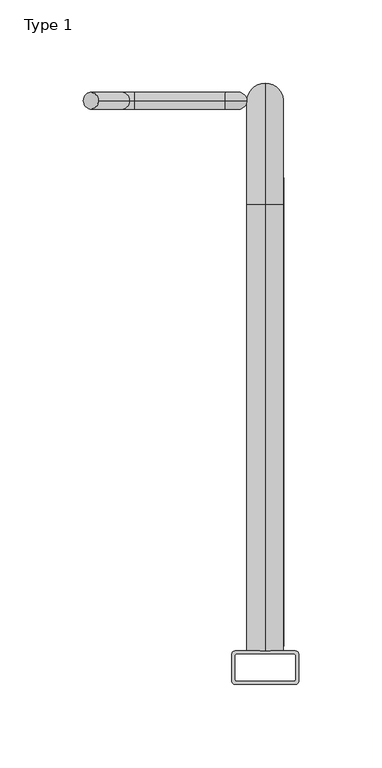
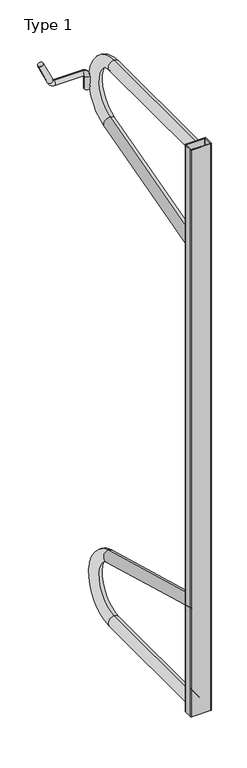
"""IFC4 building model written with IfcOpenShell, lengths in millimetres: proxy geometry, Type 1."""

import ifcopenshell
import ifcopenshell.guid

model = None  # the IFC model being written
_history = None  # IfcOwnerHistory: only IFC2X3 demands one
_inside = {}  # id of a spatial element -> (the spatial element, [elements in it])
_under = {}  # id of a project, library or spatial element -> (it, [spatial elements below it])
_declared = {}  # id of a project -> (the project, [libraries it declares])
_typed = {}  # id of a type object -> (the type object, [elements of that type])
_made_of = {}  # id of a material, layer set ... -> (it, [elements and type objects made of it])


def new_model(schema):
    """Start an empty IFC model of exactly this schema.

    Asked for "IFC4X3", IfcOpenShell would pick the latest addendum, in which some entities
    have other attributes; the version numbers below select the first issue.
    IFC2X3 requires an IfcOwnerHistory on every rooted entity: one is made here for all.
    """
    global model, _history
    if schema == "IFC4X3":
        model = ifcopenshell.file(schema_version=(4, 3, 0, 0))
    else:
        model = ifcopenshell.file(schema=schema)
    _inside.clear()
    _under.clear()
    _declared.clear()
    _typed.clear()
    _made_of.clear()
    _history = None
    if model.schema == "IFC2X3":
        org = make("IfcOrganization", Name="unknown")
        user = make(
            "IfcPersonAndOrganization",
            ThePerson=make("IfcPerson", FamilyName="unknown"),
            TheOrganization=org,
        )
        app = make(
            "IfcApplication",
            ApplicationDeveloper=org,
            Version="unknown",
            ApplicationFullName="unknown",
            ApplicationIdentifier="unknown",
        )
        _history = make(
            "IfcOwnerHistory",
            OwningUser=user,
            OwningApplication=app,
            ChangeAction="ADDED",
            CreationDate=0,
        )
    return model


def make(cls, **values):
    """One entity of the class cls with the attributes given. An attribute that is None is left unset."""
    return model.create_entity(
        cls, **{name: value for name, value in values.items() if value is not None}
    )


def rooted(cls, **values):
    """An entity with a GlobalId (a new one), such as an element, a storey or a relation."""
    return make(cls, GlobalId=ifcopenshell.guid.new(), OwnerHistory=_history, **values)


def si_unit(unit_type, name, prefix=None):
    """IfcSIUnit, for example si_unit("LENGTHUNIT", "METRE", prefix="MILLI")."""
    return make("IfcSIUnit", UnitType=unit_type, Prefix=prefix, Name=name)


def assignment(units):
    """IfcUnitAssignment: the units of a project."""
    return None if units is None else make("IfcUnitAssignment", Units=units)


def point(xyz):
    """IfcCartesianPoint."""
    return None if xyz is None else make("IfcCartesianPoint", Coordinates=xyz)


def direction(xyz):
    """IfcDirection."""
    return None if xyz is None else make("IfcDirection", DirectionRatios=xyz)


def frame(location, z_axis=None, x_axis=None):
    """IfcAxis2Placement3D, a coordinate frame: its origin and axes. An axis left out is left unset."""
    return make(
        "IfcAxis2Placement3D",
        Location=point(location),
        Axis=direction(z_axis),
        RefDirection=direction(x_axis),
    )


def frame_2d(location, x_axis=None):
    """IfcAxis2Placement2D, a coordinate frame in the plane: its origin and x axis."""
    return make(
        "IfcAxis2Placement2D", Location=point(location), RefDirection=direction(x_axis)
    )


def origin():
    """The frame at (0, 0, 0) with its axes left unset."""
    return frame((0.0, 0.0, 0.0))


def place(relative_to, where):
    """IfcLocalPlacement: puts the frame where relative to a parent placement (None: the world)."""
    return make(
        "IfcLocalPlacement", PlacementRelTo=relative_to, RelativePlacement=where
    )


def context(
    kind, dimensions, precision=None, world=None, true_north=None, identifier=None
):
    """IfcGeometricRepresentationContext, for example the 3D "Model" context."""
    return make(
        "IfcGeometricRepresentationContext",
        ContextIdentifier=identifier,
        ContextType=kind,
        CoordinateSpaceDimension=dimensions,
        Precision=precision,
        WorldCoordinateSystem=world,
        TrueNorth=true_north,
    )


def project(units=None, contexts=None):
    """IfcProject with its units and contexts."""
    return rooted(
        "IfcProject",
        Name="project",
        RepresentationContexts=contexts,
        UnitsInContext=assignment(units),
    )


def spatial(cls, under=None, at=None, **own):
    """A site, building, storey or space (cls), placed at a placement, below another one or the project."""
    s = rooted(cls, ObjectPlacement=at, **own)
    if under is not None:
        _under.setdefault(under.id(), (under, []))[1].append(s)
    return s


def polyline(points):
    """IfcPolyline through the points."""
    return make("IfcPolyline", Points=[point(p) for p in points])


def circle_curve(where, radius):
    """IfcCircle in the frame where."""
    return make("IfcCircle", Position=where, Radius=radius)


def ellipse_curve(where, semi_axis1, semi_axis2):
    """IfcEllipse in the frame where."""
    return make(
        "IfcEllipse", Position=where, SemiAxis1=semi_axis1, SemiAxis2=semi_axis2
    )


def trimmed(basis, trim1, trim2, sense, master):
    """IfcTrimmedCurve: the piece of a basis curve between two trims."""
    return make(
        "IfcTrimmedCurve",
        BasisCurve=basis,
        Trim1=trim1,
        Trim2=trim2,
        SenseAgreement=sense,
        MasterRepresentation=master,
    )


def segment(curve, same_sense, transition):
    """IfcCompositeCurveSegment."""
    return make(
        "IfcCompositeCurveSegment",
        Transition=transition,
        SameSense=same_sense,
        ParentCurve=curve,
    )


def composite_curve(segments, self_intersect=None):
    """IfcCompositeCurve: segments joined end to end."""
    return make("IfcCompositeCurve", Segments=segments, SelfIntersect=self_intersect)


def outline(outer, holes=None, kind="AREA"):
    """IfcArbitraryClosedProfileDef: a profile drawn as a closed curve; with holes, ...WithVoids."""
    if holes is None:
        return make("IfcArbitraryClosedProfileDef", ProfileType=kind, OuterCurve=outer)
    return make(
        "IfcArbitraryProfileDefWithVoids",
        ProfileType=kind,
        OuterCurve=outer,
        InnerCurves=holes,
    )


def extrude(swept, where, along, depth):
    """IfcExtrudedAreaSolid: the profile swept, set in the frame where, extruded along a direction by depth."""
    return make(
        "IfcExtrudedAreaSolid",
        SweptArea=swept,
        Position=where,
        ExtrudedDirection=direction(along),
        Depth=depth,
    )


def shape(context_of_items, identifier, shape_type, items):
    """IfcShapeRepresentation: the items that make up one representation, for example the "Body"."""
    return make(
        "IfcShapeRepresentation",
        ContextOfItems=context_of_items,
        RepresentationIdentifier=identifier,
        RepresentationType=shape_type,
        Items=items,
    )


def source(mapping_origin, context_of_items, identifier, shape_type, items):
    """IfcRepresentationMap: a shape defined once, which mapped items show again and again."""
    return make(
        "IfcRepresentationMap",
        MappingOrigin=mapping_origin,
        MappedRepresentation=shape(context_of_items, identifier, shape_type, items),
    )


def transform(
    local_origin,
    x_axis=None,
    y_axis=None,
    z_axis=None,
    scale=None,
    scale2=None,
    scale3=None,
    uniform=True,
):
    """IfcCartesianTransformationOperator3D, or its non-uniform kind. x_axis, y_axis, z_axis: its Axis1, 2, 3."""
    if uniform:
        return make(
            "IfcCartesianTransformationOperator3D",
            Axis1=direction(x_axis),
            Axis2=direction(y_axis),
            LocalOrigin=point(local_origin),
            Scale=scale,
            Axis3=direction(z_axis),
        )
    return make(
        "IfcCartesianTransformationOperator3DnonUniform",
        Axis1=direction(x_axis),
        Axis2=direction(y_axis),
        LocalOrigin=point(local_origin),
        Scale=scale,
        Axis3=direction(z_axis),
        Scale2=scale2,
        Scale3=scale3,
    )


def mapped(mapping_source, mapping_target):
    """IfcMappedItem: shows the shape of a source again, moved by a transform."""
    return make(
        "IfcMappedItem", MappingSource=mapping_source, MappingTarget=mapping_target
    )


def made_of(thing, what):
    """Note that an element or type object is made of a material, layer set ...; save() writes the relation."""
    if what is not None:
        _made_of.setdefault(what.id(), (what, []))[1].append(thing)
    return thing


def element(
    cls,
    number,
    at=None,
    inside=None,
    cuts=None,
    type_object=None,
    material=None,
    context=None,
    identifier="Body",
    shape_type=None,
    held_by="IfcProductDefinitionShape",
    body=None,
    shapes=None,
    **own,
):
    """One element of the class cls, such as IfcWall. Its Tag is "e" and its number.

    at: its placement. inside: the storey or other place that contains it. cuts: it is an
    opening in that element (IfcRelVoidsElement). A single representation is given by context,
    identifier, shape_type and body (its items); several are given by shapes. held_by: the class
    of the entity that holds the representations. save() writes the other relations.
    """
    e = rooted(cls, Tag="e%d" % number, ObjectPlacement=at, **own)
    if body is not None:
        shapes = [shape(context, identifier, shape_type, body)]
    if shapes is not None:
        e.Representation = make(held_by, Representations=shapes)
    if inside is not None:
        _inside.setdefault(inside.id(), (inside, []))[1].append(e)
    if cuts is not None:
        rooted(
            "IfcRelVoidsElement", RelatingBuildingElement=cuts, RelatedOpeningElement=e
        )
    if type_object is not None:
        _typed.setdefault(type_object.id(), (type_object, []))[1].append(e)
    return made_of(e, material)


def aggregate(whole, parts):
    """IfcRelAggregates: a whole, such as a stair, and the parts it consists of."""
    return rooted("IfcRelAggregates", RelatingObject=whole, RelatedObjects=parts)


def save(model, path):
    """Write the relations noted so far, then the file.

    IfcRelAggregates (storeys below a building ...), IfcRelContainedInSpatialStructure (elements
    in a storey), IfcRelDefinesByType, IfcRelAssociatesMaterial and IfcRelDeclares: one each for
    every whole, place, type object, material and project.
    """
    for whole, parts in _under.values():
        aggregate(whole, parts)
    for where, things in _inside.values():
        rooted(
            "IfcRelContainedInSpatialStructure",
            RelatedElements=things,
            RelatingStructure=where,
        )
    for kind, things in _typed.values():
        rooted("IfcRelDefinesByType", RelatedObjects=things, RelatingType=kind)
    for what, things in _made_of.values():
        rooted("IfcRelAssociatesMaterial", RelatedObjects=things, RelatingMaterial=what)
    for by, libraries in _declared.values():
        rooted("IfcRelDeclares", RelatingContext=by, RelatedDefinitions=libraries)
    model.write(path)


def plane_surface(at):
    """IfcPlane: the flat surface through the origin of the frame at, square to its z axis."""
    return make("IfcPlane", Position=at)


def cylinder_surface(at, radius):
    """IfcCylindricalSurface: all points at the distance radius from the z axis of the frame at."""
    return make("IfcCylindricalSurface", Position=at, Radius=radius)


def revolved_surface(curve, axis_point, axis_direction):
    """IfcSurfaceOfRevolution: the curve turned about the line through axis_point along axis_direction."""
    return make(
        "IfcSurfaceOfRevolution",
        SweptCurve=make("IfcArbitraryOpenProfileDef", ProfileType="CURVE", Curve=curve),
        AxisPosition=make("IfcAxis1Placement", Location=point(axis_point), Axis=direction(axis_direction)),
    )


def advanced_brep(points, edges, surfaces, faces):
    """IfcAdvancedBrep: a solid bounded by faces that lie on surfaces and meet in shared edges.

    An edge is (start, end): straight between two places in points (the first is 0);
    or (start, end, curve); or (start, end, curve, False) where it runs against its curve.
    A face is (place in surfaces, loops), or (place, loops, False) where it looks against
    its surface's normal. A loop lists edges by number (the first is 1), with a minus sign
    where the edge is run from its end to its start. The first loop is the outer one.
    """
    corners = [point(p) for p in points]
    vertices = [make("IfcVertexPoint", VertexGeometry=c) for c in corners]
    made = []
    for start, end, *more in edges:
        made.append(
            make(
                "IfcEdgeCurve",
                EdgeStart=vertices[start],
                EdgeEnd=vertices[end],
                EdgeGeometry=more[0] if more else make("IfcPolyline", Points=[corners[start], corners[end]]),
                SameSense=more[1] if len(more) > 1 else True,
            )
        )
    hull = []
    for where, loops, *sense in faces:
        bounds = []
        for j, loop in enumerate(loops):
            ring = [make("IfcOrientedEdge", EdgeElement=made[abs(k) - 1], Orientation=k > 0) for k in loop]
            bounds.append(
                make(
                    "IfcFaceOuterBound" if j == 0 else "IfcFaceBound",
                    Bound=make("IfcEdgeLoop", EdgeList=ring),
                    Orientation=True,
                )
            )
        hull.append(make("IfcAdvancedFace", Bounds=bounds, FaceSurface=surfaces[where], SameSense=sense[0] if sense else True))
    return make("IfcAdvancedBrep", Outer=make("IfcClosedShell", CfsFaces=hull))


def type_1_72879f52(model_context):
    return source(origin(), model_context, "Body", "SolidModel", [
        advanced_brep(
        [(104.0, 426.0, 1252.0), (114.0, 426.0, 1252.0), (104.0, 426.0, 1277.0), (114.0, 426.0, 1277.0), (101.0, 426.0, 1290.0), (101.0, 426.0, 1280.0), (46.5965621, 426.0, 1280.0), (46.5965621, 426.0, 1290.0), (43.8776387, 426.0, 1291.7321452), (34.8145609, 426.0, 1287.5059626), (15.9291007, 426.0, 1328.0059626), (24.9921786, 426.0, 1332.2321452)],
        [
            (0, 1, circle_curve(frame((109.0, 426.0, 1252.0), z_axis=(0.0, 0.0, -1.0), x_axis=(1.0, 0.0, 0.0)), 5.0)),
            (1, 0, circle_curve(frame((109.0, 426.0, 1252.0), z_axis=(0.0, 0.0, -1.0), x_axis=(1.0, 0.0, 0.0)), 5.0)),
            (0, 2),
            (2, 3, circle_curve(frame((109.0, 426.0, 1277.0), z_axis=(0.0, 0.0, -1.0), x_axis=(1.0, 0.0, 0.0)), 5.0)),
            (3, 1),
            (3, 2, circle_curve(frame((109.0, 426.0, 1277.0), z_axis=(0.0, 0.0, -1.0), x_axis=(1.0, 0.0, 0.0)), 5.0)),
            (4, 3, circle_curve(frame((101.0, 426.0, 1277.0), z_axis=(0.0, 1.0, 0.0), x_axis=(1.0, 0.0, 0.0)), 13.0)),
            (2, 5, circle_curve(frame((101.0, 426.0, 1277.0), z_axis=(0.0, -1.0, 0.0), x_axis=(1.0, 0.0, 0.0)), 3.0)),
            (5, 4, circle_curve(frame((101.0, 426.0, 1285.0), z_axis=(1.0, 0.0, 0.0), x_axis=(0.0, 0.0, 1.0)), 5.0)),
            (4, 5, circle_curve(frame((101.0, 426.0, 1285.0), z_axis=(1.0, 0.0, 0.0), x_axis=(0.0, 0.0, 1.0)), 5.0)),
            (5, 6),
            (6, 7, circle_curve(frame((46.5965621, 426.0, 1285.0), z_axis=(1.0, 0.0, 0.0), x_axis=(0.0, 0.0, 1.0)), 5.0)),
            (7, 4),
            (7, 6, circle_curve(frame((46.5965621, 426.0, 1285.0), z_axis=(1.0, 0.0, 0.0), x_axis=(0.0, 0.0, 1.0)), 5.0)),
            (8, 7, circle_curve(frame((46.5965621, 426.0, 1293.0), z_axis=(0.0, -1.0, 0.0), x_axis=(0.0, 0.0, -1.0)), 3.0)),
            (6, 9, circle_curve(frame((46.5965621, 426.0, 1293.0), z_axis=(0.0, 1.0, 0.0), x_axis=(0.0, 0.0, -1.0)), 13.0)),
            (9, 8, circle_curve(frame((39.3460998, 426.0, 1289.6190539), z_axis=(0.4226182617407029, 0.0, -0.9063077870366484), x_axis=(0.9063077870366484, 0.0, 0.4226182617407029)), 5.0)),
            (8, 9, circle_curve(frame((39.3460998, 426.0, 1289.6190539), z_axis=(0.42261826174070266, 0.0, -0.9063077870366484), x_axis=(0.9063077870366484, 0.0, 0.42261826174070266)), 5.0)),
            (10, 11, circle_curve(frame((20.4606396, 426.0, 1330.1190539), z_axis=(-0.42261826174070233, 0.0, 0.9063077870366487), x_axis=(0.9063077870366487, 0.0, 0.42261826174070233)), 5.0)),
            (11, 10, circle_curve(frame((20.4606396, 426.0, 1330.1190539), z_axis=(-0.42261826174070233, 0.0, 0.9063077870366487), x_axis=(0.9063077870366487, 0.0, 0.42261826174070233)), 5.0)),
            (9, 10),
            (11, 8),
        ],
        [
            plane_surface(frame((104.0, 76.0, 1252.0), z_axis=(0.0, 0.0, -1.0), x_axis=(0.0, 1.0, 0.0))),
            cylinder_surface(frame((109.0, 426.0, 1252.0), z_axis=(0.0, 0.0, -1.0), x_axis=(1.0, 0.0, 0.0)), 5.0),
            revolved_surface(trimmed(ellipse_curve(frame((109.0, 426.0, 1277.0), z_axis=(0.0, 0.0, -1.0), x_axis=(1.0, 0.0, 0.0)), 5.0, 5.0), [point((104.0, 426.0, 1277.0))], [point((114.0, 426.0, 1277.0))], True, "CARTESIAN"), (101.0, 76.0, 1277.0), (0.0, -1.0, 0.0)),
            revolved_surface(trimmed(ellipse_curve(frame((109.0, 426.0, 1277.0), z_axis=(0.0, 0.0, -1.0), x_axis=(1.0, 0.0, 0.0)), 5.0, 5.0), [point((114.0, 426.0, 1277.0))], [point((104.0, 426.0, 1277.0))], True, "CARTESIAN"), (101.0, 76.0, 1277.0), (0.0, -1.0, 0.0)),
            cylinder_surface(frame((101.0, 426.0, 1285.0), z_axis=(1.0, 0.0, 0.0), x_axis=(0.0, 0.0, 1.0)), 5.0),
            revolved_surface(trimmed(ellipse_curve(frame((46.5965621, 426.0, 1285.0), z_axis=(1.0, 0.0, 0.0), x_axis=(0.0, 0.0, 1.0)), 5.0, 5.0), [point((46.5965621, 426.0, 1280.0))], [point((46.5965621, 426.0, 1290.0))], True, "CARTESIAN"), (46.5965621, 76.0, 1293.0), (0.0, 1.0, 0.0)),
            revolved_surface(trimmed(ellipse_curve(frame((46.5965621, 426.0, 1285.0), z_axis=(1.0, 0.0, 0.0), x_axis=(0.0, 0.0, 1.0)), 5.0, 5.0), [point((46.5965621, 426.0, 1290.0))], [point((46.5965621, 426.0, 1280.0))], True, "CARTESIAN"), (46.5965621, 76.0, 1293.0), (0.0, 1.0, 0.0)),
            plane_surface(frame((15.9291007, 76.0, 1328.0059626), z_axis=(-0.42261826174070233, 0.0, 0.9063077870366487), x_axis=(0.0, 1.0, 0.0))),
            cylinder_surface(frame((39.3460998, 426.0, 1289.6190539), z_axis=(0.42261826174070233, 0.0, -0.9063077870366487), x_axis=(0.9063077870366487, 0.0, 0.42261826174070233)), 5.0),
        ],
        [
            (0, [[1, 2]]),
            (1, [[-1, 3, 4, 5]]),
            (1, [[-2, -5, 6, -3]]),
            (2, [[7, -4, 8, 9]]),
            (3, [[-8, -6, -7, 10]]),
            (4, [[-9, 11, 12, 13]]),
            (4, [[-10, -13, 14, -11]]),
            (5, [[15, -12, 16, 17]]),
            (6, [[-16, -14, -15, 18]]),
            (7, [[19, 20]]),
            (8, [[-17, 21, -20, 22]]),
            (8, [[-18, -22, -19, -21]]),
        ],
    ),
        advanced_brep(
        [(125.0, 96.0, 200.0), (125.0, 96.0, 222.0), (125.0, 363.6473756, 222.0), (125.0, 363.6473756, 200.0), (125.0, 382.958131, 343.2743133), (125.0, 377.1335463, 322.0593607), (125.0, 101.8684386, 420.447747), (125.0, 96.0438538, 399.2327945)],
        [
            (0, 1, circle_curve(frame((125.0, 96.0, 211.0), z_axis=(0.0, -1.0, 0.0), x_axis=(0.0, 0.0, 1.0)), 11.0)),
            (1, 0, circle_curve(frame((125.0, 96.0, 211.0), z_axis=(0.0, -1.0, 0.0), x_axis=(0.0, 0.0, 1.0)), 11.0)),
            (1, 2),
            (2, 3, circle_curve(frame((125.0, 363.6473756, 211.0), z_axis=(0.0, -1.0, 0.0), x_axis=(0.0, 0.0, 1.0)), 11.0)),
            (3, 0),
            (3, 2, circle_curve(frame((125.0, 363.6473756, 211.0), z_axis=(0.0, -1.0, 0.0), x_axis=(0.0, 0.0, 1.0)), 11.0)),
            (4, 3, circle_curve(frame((125.0, 363.6473756, 272.9385248), z_axis=(-1.0, 0.0, 0.0), x_axis=(0.0, 0.0, -1.0)), 72.9385248)),
            (2, 5, circle_curve(frame((125.0, 363.6473756, 272.9385248), z_axis=(1.0, 0.0, 0.0), x_axis=(0.0, 0.0, -1.0)), 50.9385248)),
            (5, 4, circle_curve(frame((125.0, 380.0458386, 332.666837), z_axis=(0.0, 0.964316025794203, -0.26475385246767275), x_axis=(0.0, -0.26475385246767275, -0.964316025794203)), 11.0)),
            (4, 5, circle_curve(frame((125.0, 380.0458386, 332.666837), z_axis=(0.0, 0.9643160257942032, -0.2647538524676719), x_axis=(0.0, -0.2647538524676719, -0.9643160257942032)), 11.0)),
            (6, 7, circle_curve(frame((125.0, 98.9561462, 409.8402708), z_axis=(0.0, -0.9643160257942052, 0.26475385246766475), x_axis=(0.0, -0.26475385246766475, -0.9643160257942052)), 11.0)),
            (7, 6, circle_curve(frame((125.0, 98.9561462, 409.8402708), z_axis=(0.0, -0.9643160257942052, 0.26475385246766475), x_axis=(0.0, -0.26475385246766475, -0.9643160257942052)), 11.0)),
            (5, 7),
            (6, 4),
        ],
        [
            plane_surface(frame((125.0, 96.0, 211.0), z_axis=(0.0, -1.0, 0.0), x_axis=(1.0, 0.0, 0.0))),
            cylinder_surface(frame((125.0, 96.0, 211.0), z_axis=(0.0, -1.0, 0.0), x_axis=(0.0, 0.0, 1.0)), 11.0),
            revolved_surface(trimmed(ellipse_curve(frame((125.0, 363.6473756, 211.0), z_axis=(0.0, -1.0, 0.0), x_axis=(0.0, 0.0, 1.0)), 11.0, 11.0), [point((125.0, 363.6473756, 222.0))], [point((125.0, 363.6473756, 200.0))], True, "CARTESIAN"), (125.0, 363.6473756, 272.9385248), (1.0, 0.0, 0.0)),
            revolved_surface(trimmed(ellipse_curve(frame((125.0, 363.6473756, 211.0), z_axis=(0.0, -1.0, 0.0), x_axis=(0.0, 0.0, 1.0)), 11.0, 11.0), [point((125.0, 363.6473756, 200.0))], [point((125.0, 363.6473756, 222.0))], True, "CARTESIAN"), (125.0, 363.6473756, 272.9385248), (1.0, 0.0, 0.0)),
            plane_surface(frame((125.0, 98.9561462, 409.8402708), z_axis=(0.0, -0.9643160257942052, 0.26475385246766475), x_axis=(1.0, 0.0, 0.0))),
            cylinder_surface(frame((125.0, 380.0458386, 332.666837), z_axis=(0.0, 0.9643160257942052, -0.26475385246766475), x_axis=(0.0, -0.26475385246766475, -0.9643160257942052)), 11.0),
        ],
        [
            (0, [[1, 2]]),
            (1, [[-2, 3, 4, 5]]),
            (1, [[-1, -5, 6, -3]]),
            (2, [[7, -4, 8, 9]]),
            (3, [[-8, -6, -7, 10]]),
            (4, [[11, 12]]),
            (5, [[-9, 13, -11, 14]]),
            (5, [[-10, -14, -12, -13]]),
        ],
    ),
        advanced_brep(
        [(125.0, 96.0, 1340.0), (125.0, 96.0, 1318.0), (125.0, 363.6473756, 1340.0), (125.0, 363.6473756, 1318.0), (125.0, 377.1335463, 1217.9406393), (125.0, 382.958131, 1196.7256867), (125.0, 101.8684386, 1119.552253), (125.0, 96.0438538, 1140.7672055)],
        [
            (0, 1, circle_curve(frame((125.0, 96.0, 1329.0), z_axis=(0.0, -1.0, 0.0), x_axis=(0.0, 0.0, -1.0)), 11.0)),
            (1, 0, circle_curve(frame((125.0, 96.0, 1329.0), z_axis=(0.0, -1.0, 0.0), x_axis=(0.0, 0.0, -1.0)), 11.0)),
            (0, 2),
            (2, 3, circle_curve(frame((125.0, 363.6473756, 1329.0), z_axis=(0.0, -1.0, 0.0), x_axis=(0.0, 0.0, -1.0)), 11.0)),
            (3, 1),
            (3, 2, circle_curve(frame((125.0, 363.6473756, 1329.0), z_axis=(0.0, -1.0, 0.0), x_axis=(0.0, 0.0, -1.0)), 11.0)),
            (4, 3, circle_curve(frame((125.0, 363.6473756, 1267.0614752), z_axis=(1.0, 0.0, 0.0), x_axis=(0.0, 0.0, 1.0)), 50.9385248)),
            (2, 5, circle_curve(frame((125.0, 363.6473756, 1267.0614752), z_axis=(-1.0, 0.0, 0.0), x_axis=(0.0, 0.0, 1.0)), 72.9385248)),
            (5, 4, circle_curve(frame((125.0, 380.0458386, 1207.333163), z_axis=(0.0, 0.9643160257942033, 0.2647538524676712), x_axis=(0.0, -0.2647538524676712, 0.9643160257942033)), 11.0)),
            (4, 5, circle_curve(frame((125.0, 380.0458386, 1207.333163), z_axis=(0.0, 0.9643160257942032, 0.26475385246767164), x_axis=(0.0, -0.26475385246767164, 0.9643160257942032)), 11.0)),
            (6, 7, circle_curve(frame((125.0, 98.9561462, 1130.1597292), z_axis=(0.0, -0.9643160257942047, -0.2647538524676662), x_axis=(0.0, -0.2647538524676662, 0.9643160257942047)), 11.0)),
            (7, 6, circle_curve(frame((125.0, 98.9561462, 1130.1597292), z_axis=(0.0, -0.9643160257942047, -0.2647538524676662), x_axis=(0.0, -0.2647538524676662, 0.9643160257942047)), 11.0)),
            (5, 6),
            (7, 4),
        ],
        [
            plane_surface(frame((125.0, 96.0, 1329.0), z_axis=(0.0, -1.0, 0.0), x_axis=(1.0, 0.0, 0.0))),
            cylinder_surface(frame((125.0, 96.0, 1329.0), z_axis=(0.0, -1.0, 0.0), x_axis=(0.0, 0.0, -1.0)), 11.0),
            revolved_surface(trimmed(ellipse_curve(frame((125.0, 363.6473756, 1329.0), z_axis=(0.0, -1.0, 0.0), x_axis=(0.0, 0.0, -1.0)), 11.0, 11.0), [point((125.0, 363.6473756, 1340.0))], [point((125.0, 363.6473756, 1318.0))], True, "CARTESIAN"), (125.0, 363.6473756, 1267.0614752), (-1.0, 0.0, 0.0)),
            revolved_surface(trimmed(ellipse_curve(frame((125.0, 363.6473756, 1329.0), z_axis=(0.0, -1.0, 0.0), x_axis=(0.0, 0.0, -1.0)), 11.0, 11.0), [point((125.0, 363.6473756, 1318.0))], [point((125.0, 363.6473756, 1340.0))], True, "CARTESIAN"), (125.0, 363.6473756, 1267.0614752), (-1.0, 0.0, 0.0)),
            plane_surface(frame((125.0, 98.9561462, 1130.1597292), z_axis=(0.0, -0.9643160257942047, -0.2647538524676662), x_axis=(1.0, 0.0, 0.0))),
            cylinder_surface(frame((125.0, 380.0458386, 1207.333163), z_axis=(0.0, 0.9643160257942047, 0.2647538524676662), x_axis=(0.0, -0.2647538524676662, 0.9643160257942047)), 11.0),
        ],
        [
            (0, [[1, 2]]),
            (1, [[-1, 3, 4, 5]]),
            (1, [[-2, -5, 6, -3]]),
            (2, [[7, -4, 8, 9]]),
            (3, [[-8, -6, -7, 10]]),
            (4, [[11, 12]]),
            (5, [[-9, 13, -12, 14]]),
            (5, [[-10, -14, -11, -13]]),
        ],
    ),
        extrude(outline(composite_curve([segment(polyline([(107.0, 96.0), (143.0, 96.0)]), True, "CONTINUOUS"), segment(trimmed(circle_curve(frame_2d((143.0, 94.0)), 2.0), [point((143.0, 96.0))], [point((145.0, 94.0))], False, "CARTESIAN"), True, "CONTINUOUS"), segment(polyline([(145.0, 94.0), (145.0, 78.0)]), True, "CONTINUOUS"), segment(trimmed(circle_curve(frame_2d((143.0, 78.0)), 2.0), [point((145.0, 78.0))], [point((143.0, 76.0))], False, "CARTESIAN"), True, "CONTINUOUS"), segment(polyline([(143.0, 76.0), (107.0, 76.0)]), True, "CONTINUOUS"), segment(trimmed(circle_curve(frame_2d((107.0, 78.0)), 2.0), [point((107.0, 76.0))], [point((105.0, 78.0))], False, "CARTESIAN"), True, "CONTINUOUS"), segment(polyline([(105.0, 78.0), (105.0, 94.0)]), True, "CONTINUOUS"), segment(trimmed(circle_curve(frame_2d((107.0, 94.0)), 2.0), [point((105.0, 94.0))], [point((107.0, 96.0))], False, "CARTESIAN"), True, "CONTINUOUS")], self_intersect=False), holes=[composite_curve([segment(polyline([(107.0, 93.0), (107.0, 79.0)]), True, "CONTINUOUS"), segment(trimmed(circle_curve(frame_2d((108.0, 79.0)), 1.0), [point((107.0, 79.0))], [point((108.0, 78.0))], True, "CARTESIAN"), True, "CONTINUOUS"), segment(polyline([(108.0, 78.0), (142.0, 78.0)]), True, "CONTINUOUS"), segment(trimmed(circle_curve(frame_2d((142.0, 79.0)), 1.0), [point((142.0, 78.0))], [point((143.0, 79.0))], True, "CARTESIAN"), True, "CONTINUOUS"), segment(polyline([(143.0, 79.0), (143.0, 93.0)]), True, "CONTINUOUS"), segment(trimmed(circle_curve(frame_2d((142.0, 93.0)), 1.0), [point((143.0, 93.0))], [point((142.0, 94.0))], True, "CARTESIAN"), True, "CONTINUOUS"), segment(polyline([(142.0, 94.0), (108.0, 94.0)]), True, "CONTINUOUS"), segment(trimmed(circle_curve(frame_2d((108.0, 93.0)), 1.0), [point((108.0, 94.0))], [point((107.0, 93.0))], True, "CARTESIAN"), True, "CONTINUOUS")], self_intersect=False)]), frame((0.0, 0.0, 200.0), z_axis=(0.0, 0.0, 1.0), x_axis=(1.0, 0.0, 0.0)), (0.0, 0.0, 1.0), 1140.0),
    ])


if __name__ == "__main__":
    model = new_model("IFC4")
    model_context = context("Model", 3, world=origin())
    ifc_project = project(units=[si_unit("LENGTHUNIT", "METRE", prefix="MILLI")], contexts=[model_context])
    site = spatial("IfcSite", under=ifc_project)
    building = spatial("IfcBuilding", under=site)
    placement = place(None, origin())
    type_1_shape = type_1_72879f52(model_context)
    element("IfcBuildingElementProxy", 1, Name="Type 1", ObjectType="Type 1", at=placement, inside=building, context=model_context, shape_type="MappedRepresentation", body=[
        mapped(type_1_shape, transform((0.0, 0.0, 0.0), x_axis=(1.0, 0.0, 0.0), y_axis=(0.0, 1.0, 0.0), z_axis=(0.0, 0.0, 1.0))),
    ])
    save(model, "model.ifc")
